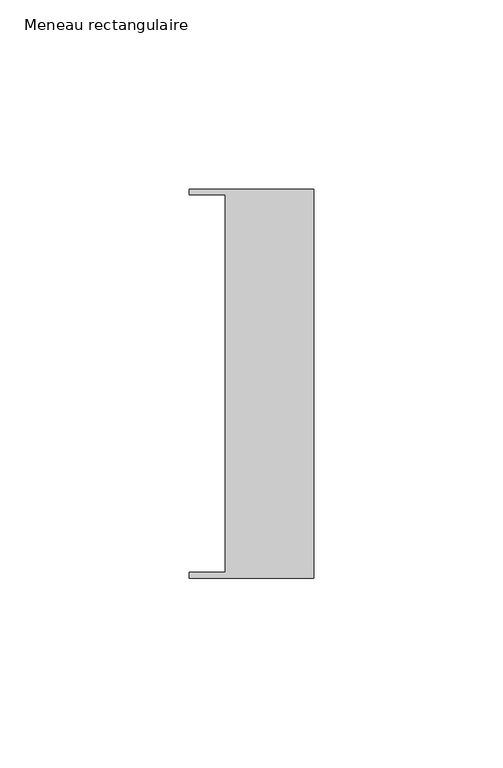
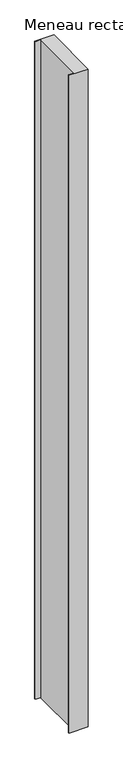
"""IFC4 building model written with IfcOpenShell, lengths in millimetres: member geometry, Meneau rectangulaire."""

from ifc_helpers import new_model, si_unit, frame, origin, place, context, project, spatial, polyline, outline, extrude, source, transform, mapped, element, save


def meneau_rectangulaire_eaa2027f(model_context):
    return source(origin(), model_context, "Body", "SweptSolid", [
        extrude(outline(polyline([(-33.0, 51.4622428), (0.0, 51.4622428), (0.0, -51.4712299), (-33.0, -51.4712299), (-33.0, -49.9505712), (-23.4, -49.9505712), (-23.4, 49.9614402), (-33.0, 49.9614402), (-33.0, 51.4622428)])), frame((0.0, 0.0, -1200.0), z_axis=(0.0, 0.0, 1.0), x_axis=(1.0, 0.0, 0.0)), (0.0, 0.0, 1.0), 1200.0),
    ])


if __name__ == "__main__":
    model = new_model("IFC4")
    model_context = context("Model", 3, world=origin())
    ifc_project = project(units=[si_unit("LENGTHUNIT", "METRE", prefix="MILLI")], contexts=[model_context])
    site = spatial("IfcSite", under=ifc_project)
    building = spatial("IfcBuilding", under=site)
    placement = place(None, origin())
    meneau_rectangulaire_shape = meneau_rectangulaire_eaa2027f(model_context)
    element("IfcMember", 1, ObjectType="Meneau rectangulaire", at=placement, inside=building, context=model_context, shape_type="MappedRepresentation", body=[
        mapped(meneau_rectangulaire_shape, transform((0.0, 0.0, 0.0), x_axis=(1.0, 0.0, 0.0), y_axis=(0.0, 1.0, 0.0), z_axis=(0.0, 0.0, 1.0))),
    ])
    save(model, "model.ifc")
